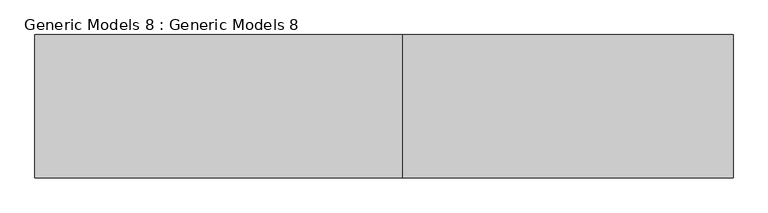
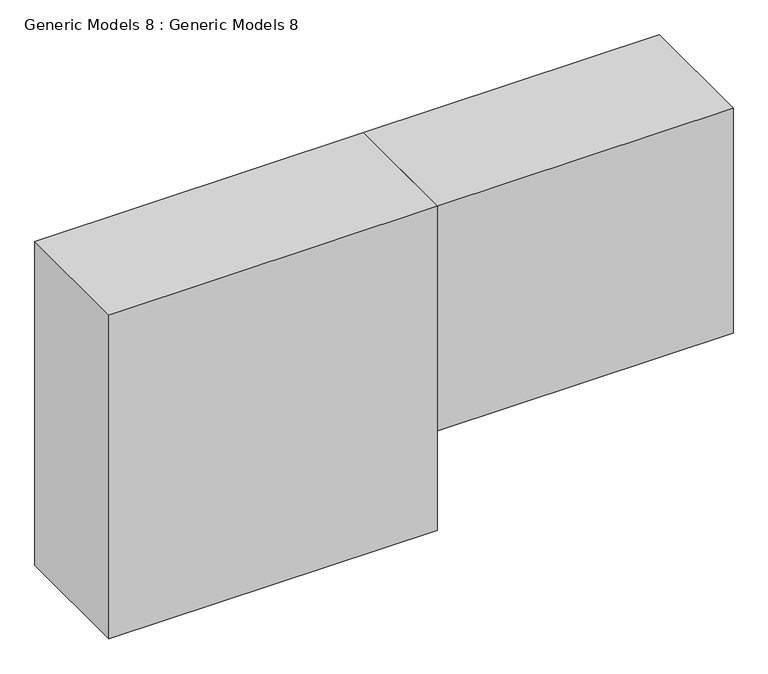
"""IFC4 building model written with IfcOpenShell, lengths in millimetres: proxy geometry, Generic Models 8 : Generic Models 8."""

from ifc_helpers import new_model, si_unit, frame, origin, place, context, project, spatial, polyline, outline, extrude, source, transform, mapped, element, save


def generic_models_8_generic_models_8_e9ee6a33(model_context):
    return source(origin(), model_context, "Body", "SweptSolid", [
        extrude(outline(polyline([(-890.7946443, -2797.6886676), (-890.7946443, -3153.3764798), (-1801.6845496, -3153.3764798), (-1801.6845496, -2797.6886676), (-890.7946443, -2797.6886676)])), frame((0.0, 0.0, 1426.0990248), z_axis=(0.0, 0.0, 1.0), x_axis=(1.0, 0.0, 0.0)), (0.0, 0.0, 1.0), 950.7471909),
        extrude(outline(polyline([(-69.7143166, -3153.3764798), (-890.1800858, -3153.3764798), (-890.1800858, -2797.6886676), (-69.7143166, -2797.6886676), (-69.7143166, -3153.3764798)])), frame((0.0, 0.0, 1717.6763508), z_axis=(0.0, 0.0, 1.0), x_axis=(1.0, 0.0, 0.0)), (0.0, 0.0, 1.0), 659.1698649),
    ])


if __name__ == "__main__":
    model = new_model("IFC4")
    model_context = context("Model", 3, world=origin())
    ifc_project = project(units=[si_unit("LENGTHUNIT", "METRE", prefix="MILLI")], contexts=[model_context])
    site = spatial("IfcSite", under=ifc_project)
    building = spatial("IfcBuilding", under=site)
    placement = place(None, origin())
    generic_models_8_generic_models_8_shape = generic_models_8_generic_models_8_e9ee6a33(model_context)
    element("IfcBuildingElementProxy", 1, Name="Generic Models 8 : Generic Models 8", ObjectType="Generic Models 8 : Generic Models 8", at=placement, inside=building, context=model_context, shape_type="MappedRepresentation", body=[
        mapped(generic_models_8_generic_models_8_shape, transform((0.0, 0.0, 0.0), x_axis=(1.0, 0.0, 0.0), y_axis=(0.0, 1.0, 0.0), z_axis=(0.0, 0.0, 1.0))),
    ])
    save(model, "model.ifc")
